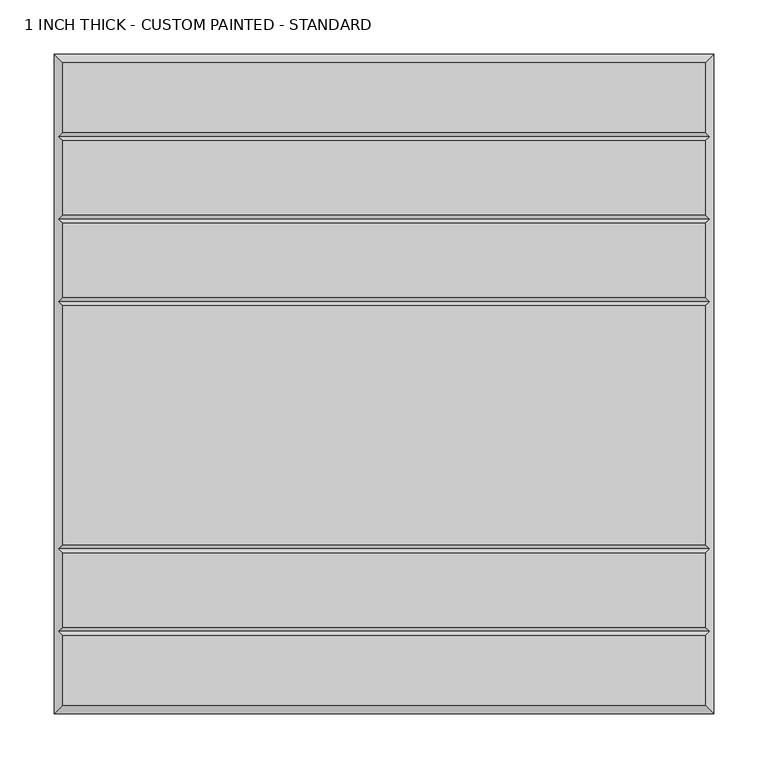
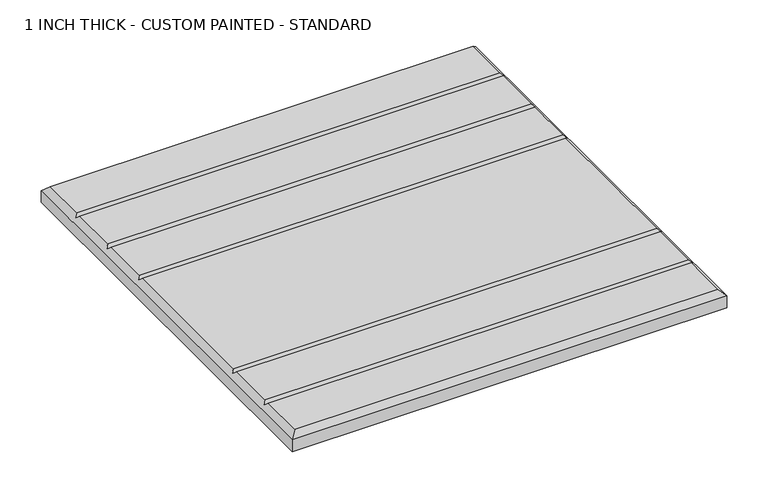
"""IFC4 building model written with IfcOpenShell, lengths in millimetres: proxy geometry, 1 INCH THICK - CUSTOM PAINTED - STANDARD."""

from ifc_helpers import new_model, si_unit, origin, place, context, project, spatial, faceted_brep, source, transform, mapped, element, save


def proxy_1_inch_thick_custom_painted_standard_d6373899(model_context):
    return source(origin(), model_context, "Body", "Brep", [
        faceted_brep([(296.799, 296.799, 25.4), (-296.799, 296.799, 25.4), (-296.799, 232.6005, 25.4), (296.799, 232.6005, 25.4), (-296.799, -296.799, 25.4), (296.799, -296.799, 25.4), (296.799, -232.6005, 25.4), (-296.799, -232.6005, 25.4), (296.799, 148.3995, 25.4), (-296.799, 148.3995, 25.4), (-296.799, 80.2005, 25.4), (296.799, 80.2005, 25.4), (-296.799, 156.4005, 25.4), (296.799, 156.4005, 25.4), (296.799, 224.5995, 25.4), (-296.799, 224.5995, 25.4), (296.799, 72.1995, 25.4), (-296.799, 72.1995, 25.4), (-296.799, -148.3995, 25.4), (296.799, -148.3995, 25.4), (296.799, -156.4005, 25.4), (-296.799, -156.4005, 25.4), (-296.799, -224.5995, 25.4), (296.799, -224.5995, 25.4), (-304.8, 304.8, 0.0), (304.8, 304.8, 0.0), (304.8, -304.8, 0.0), (-304.8, -304.8, 0.0), (-304.8, -304.8, 17.399), (-304.8, 304.8, 17.399), (304.8, -304.8, 17.399), (304.8, 304.8, 17.399), (-300.7995, -228.6, 21.3995), (-300.7995, -152.4, 21.3995), (-300.7995, 76.2, 21.3995), (-300.7995, 152.4, 21.3995), (-300.7995, 228.6, 21.3995), (300.7995, 228.6, 21.3995), (300.7995, 152.4, 21.3995), (300.7995, 76.2, 21.3995), (300.7995, -152.4, 21.3995), (300.7995, -228.6, 21.3995)], [[[0, 1, 2, 3]], [[4, 5, 6, 7]], [[8, 9, 10, 11]], [[12, 13, 14, 15]], [[16, 17, 18, 19]], [[20, 21, 22, 23]], [[24, 25, 26, 27]], [[24, 27, 28, 29]], [[27, 26, 30, 28]], [[26, 25, 31, 30]], [[25, 24, 29, 31]], [[29, 1, 0, 31]], [[1, 29, 28, 4, 7, 32, 22, 21, 33, 18, 17, 34, 10, 9, 35, 12, 15, 36, 2]], [[4, 28, 30, 5]], [[31, 0, 3, 37, 14, 13, 38, 8, 11, 39, 16, 19, 40, 20, 23, 41, 6, 5, 30]], [[38, 35, 9, 8]], [[35, 38, 13, 12]], [[39, 34, 17, 16]], [[34, 39, 11, 10]], [[40, 33, 21, 20]], [[33, 40, 19, 18]], [[41, 32, 7, 6]], [[32, 41, 23, 22]], [[37, 36, 15, 14]], [[36, 37, 3, 2]]]),
    ])


if __name__ == "__main__":
    model = new_model("IFC4")
    model_context = context("Model", 3, world=origin())
    ifc_project = project(units=[si_unit("LENGTHUNIT", "METRE", prefix="MILLI")], contexts=[model_context])
    site = spatial("IfcSite", under=ifc_project)
    building = spatial("IfcBuilding", under=site)
    placement = place(None, origin())
    proxy_1_inch_thick_custom_painted_standard_shape = proxy_1_inch_thick_custom_painted_standard_d6373899(model_context)
    element("IfcBuildingElementProxy", 1, Name="1 INCH THICK - CUSTOM PAINTED - STANDARD", ObjectType="1 INCH THICK - CUSTOM PAINTED - STANDARD", at=placement, inside=building, context=model_context, shape_type="MappedRepresentation", body=[
        mapped(proxy_1_inch_thick_custom_painted_standard_shape, transform((0.0, 0.0, 0.0), x_axis=(1.0, 0.0, 0.0), y_axis=(0.0, 1.0, 0.0), z_axis=(0.0, 0.0, 1.0))),
    ])
    save(model, "model.ifc")
